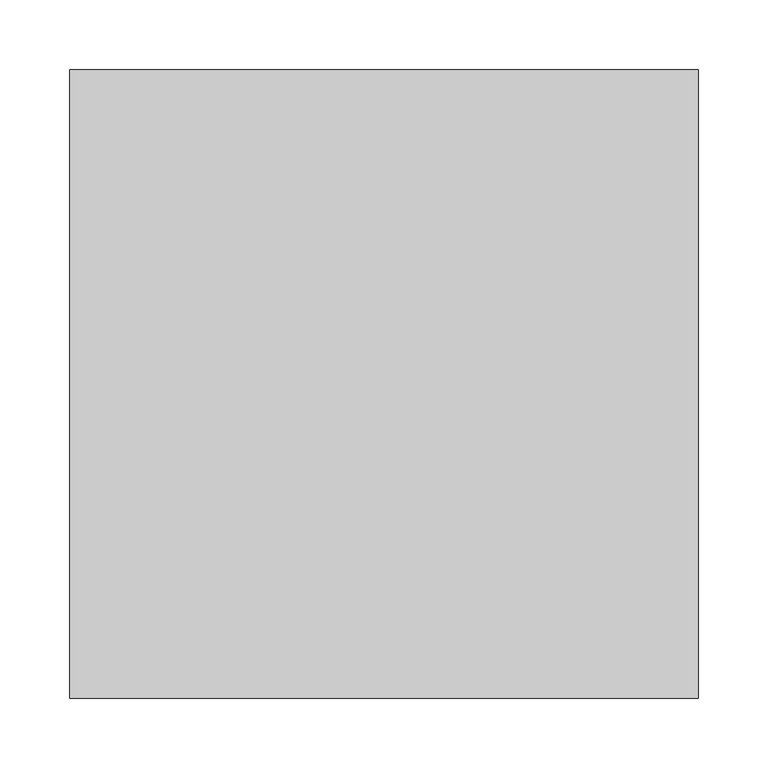
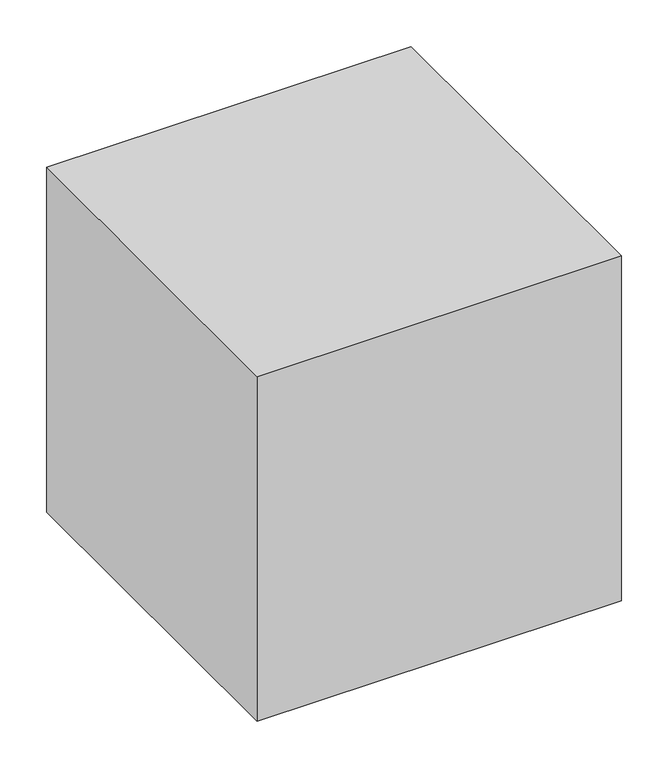
"""IFC4 building model written with IfcOpenShell, lengths in millimetres: proxy geometry."""

from ifc_helpers import new_model, si_unit, origin, origin_with_axes, place, context, project, spatial, polyline, outline, extrude, source, transform, mapped, element, save


def generic_models_a1b596d5(model_context):
    return source(origin(), model_context, "Body", "SweptSolid", [
        extrude(outline(polyline([(450.0, 450.0), (450.0, 0.0), (0.0, 0.0), (0.0, 450.0), (450.0, 450.0)])), origin_with_axes(), (0.0, 0.0, 1.0), 450.0),
    ])


if __name__ == "__main__":
    model = new_model("IFC4")
    model_context = context("Model", 3, world=origin())
    ifc_project = project(units=[si_unit("LENGTHUNIT", "METRE", prefix="MILLI")], contexts=[model_context])
    site = spatial("IfcSite", under=ifc_project)
    building = spatial("IfcBuilding", under=site)
    placement = place(None, origin())
    generic_models_shape = generic_models_a1b596d5(model_context)
    element("IfcBuildingElementProxy", 1, Name="Generic Models", at=placement, inside=building, context=model_context, shape_type="MappedRepresentation", body=[
        mapped(generic_models_shape, transform((0.0, 0.0, 0.0), x_axis=(1.0, 0.0, 0.0), y_axis=(0.0, 1.0, 0.0), z_axis=(0.0, 0.0, 1.0))),
    ])
    save(model, "model.ifc")
